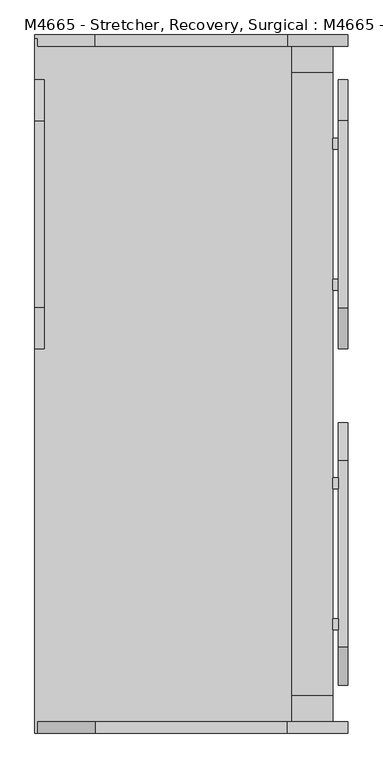
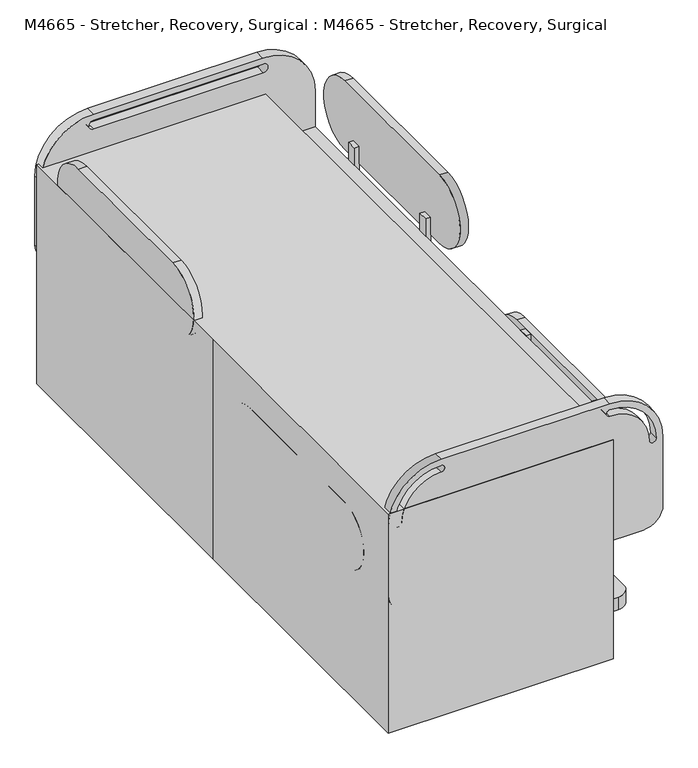
"""IFC4 building model written with IfcOpenShell, lengths in millimetres: proxy geometry, M4665 - Stretcher, Recovery, Surgical : M4665 - Stretcher, Recovery, Surgical."""

from ifc_helpers import new_model, si_unit, point, frame, frame_2d, origin, place, context, project, spatial, polyline, circle_curve, trimmed, segment, composite_curve, outline, extrude, faceted_brep, source, transform, mapped, element, save
from ifc_brep_helpers import plane_surface, cylinder_surface, revolved_surface, advanced_brep


def m4665_stretcher_recovery_surgical_m4665_stretcher_recovery_9e5d2991(model_context):
    return source(origin(), model_context, "Body", "SolidModel", [
        extrude(outline(composite_curve([segment(trimmed(circle_curve(frame_2d((977.7599321, 51.5042315)), 51.5042315), [point((926.2557006, 51.5042315))], [point((1029.2641636, 51.5042315))], False, "CARTESIAN"), True, "CONTINUOUS"), segment(trimmed(circle_curve(frame_2d((977.7599321, 51.5042315)), 51.5042315), [point((1029.2641636, 51.5042315))], [point((926.2557006, 51.5042315))], False, "CARTESIAN"), True, "CONTINUOUS")], self_intersect=False)), frame((-292.1, 0.0, 0.0), z_axis=(1.0, 0.0, 0.0), x_axis=(0.0, 1.0, 0.0)), (0.0, 0.0, 1.0), 25.4),
        extrude(outline(composite_curve([segment(trimmed(circle_curve(frame_2d((977.7599321, 51.5042315)), 51.5042315), [point((926.2557006, 51.5042315))], [point((1029.2641636, 51.5042315))], False, "CARTESIAN"), True, "CONTINUOUS"), segment(trimmed(circle_curve(frame_2d((977.7599321, 51.5042315)), 51.5042315), [point((1029.2641636, 51.5042315))], [point((926.2557006, 51.5042315))], False, "CARTESIAN"), True, "CONTINUOUS")], self_intersect=False)), frame((457.2, 0.0, 0.0), z_axis=(1.0, 0.0, 0.0), x_axis=(0.0, 1.0, 0.0)), (0.0, 0.0, 1.0), 25.4),
        extrude(outline(composite_curve([segment(trimmed(circle_curve(frame_2d((-965.0599321, 51.5042315)), 51.5042315), [point((-913.5557006, 51.5042315))], [point((-1016.5641636, 51.5042315))], False, "CARTESIAN"), True, "CONTINUOUS"), segment(trimmed(circle_curve(frame_2d((-965.0599321, 51.5042315)), 51.5042315), [point((-1016.5641636, 51.5042315))], [point((-913.5557006, 51.5042315))], False, "CARTESIAN"), True, "CONTINUOUS")], self_intersect=False)), frame((457.2, 0.0, 0.0), z_axis=(1.0, 0.0, 0.0), x_axis=(0.0, 1.0, 0.0)), (0.0, 0.0, 1.0), 25.4),
        advanced_brep(
        [(450.85, 990.3863453, 60.4258647), (450.85, 985.39125, 48.3666377), (450.85, 966.5580857, 50.8460708), (450.85, 966.5580857, 108.9715457), (450.85, 976.2356274, 130.175), (450.85, 1006.5868486, 130.175), (450.85, 1014.4209258, 118.4504749), (488.95, 990.3863453, 60.4258647), (488.95, 1014.4209258, 118.4504749), (488.95, 1006.5868486, 130.175), (488.95, 976.2356274, 130.175), (488.95, 966.5580857, 108.9715457), (488.95, 966.5580857, 50.8460708), (488.95, 985.39125, 48.3666377), (457.0636195, 1014.4209258, 118.4504749), (457.0636195, 990.3863453, 60.4258647), (482.4636195, 990.3863453, 60.4258647), (482.4636195, 1014.4209258, 118.4504749), (482.4636195, 1014.7946321, 123.825), (457.0636195, 1014.7946321, 123.825), (457.0636195, 966.5580857, 108.9715457), (457.0636195, 973.337402, 123.825), (482.4636195, 973.337402, 123.825), (482.4636195, 966.5580857, 108.9715457), (457.0636195, 966.5580857, 50.8460708), (482.4636195, 966.5580857, 50.8460708), (457.0636195, 985.39125, 48.3666377), (482.4636195, 985.39125, 48.3666377)],
        [
            (0, 1),
            (1, 2, circle_curve(frame((450.85, 976.1378796, 50.8460708), z_axis=(-1.0, 0.0, 0.0), x_axis=(0.0, -1.0, 0.0)), 9.5797939)),
            (2, 3),
            (3, 4),
            (4, 5),
            (5, 6, circle_curve(frame((450.85, 1006.5868486, 121.6954559), z_axis=(-1.0, 0.0, 0.0), x_axis=(0.0, -1.0, 0.0)), 8.4795441)),
            (6, 0),
            (7, 8),
            (8, 9, circle_curve(frame((488.95, 1006.5868486, 121.6954559), z_axis=(1.0, 0.0, 0.0), x_axis=(0.0, -1.0, 0.0)), 8.4795441)),
            (9, 10),
            (10, 11),
            (11, 12),
            (12, 13, circle_curve(frame((488.95, 976.1378796, 50.8460708), z_axis=(1.0, 0.0, 0.0), x_axis=(0.0, -1.0, 0.0)), 9.5797939)),
            (13, 7),
            (6, 14),
            (14, 15),
            (15, 0),
            (7, 16),
            (16, 17),
            (17, 8),
            (5, 9),
            (17, 18, circle_curve(frame((482.4636195, 1006.5868486, 121.6954559), z_axis=(1.0, 0.0, 0.0), x_axis=(0.0, -1.0, 0.0)), 8.4795441)),
            (18, 19),
            (19, 14, circle_curve(frame((457.0636195, 1006.5868486, 121.6954559), z_axis=(-1.0, 0.0, 0.0), x_axis=(0.0, -1.0, 0.0)), 8.4795441)),
            (4, 10),
            (3, 20),
            (20, 21),
            (21, 22),
            (22, 23),
            (23, 11),
            (2, 24),
            (24, 20),
            (23, 25),
            (25, 12),
            (1, 26),
            (26, 24, circle_curve(frame((457.0636195, 976.1378796, 50.8460708), z_axis=(-1.0, 0.0, 0.0), x_axis=(0.0, -1.0, 0.0)), 9.5797939)),
            (25, 27, circle_curve(frame((482.4636195, 976.1378796, 50.8460708), z_axis=(1.0, 0.0, 0.0), x_axis=(0.0, -1.0, 0.0)), 9.5797939)),
            (27, 13),
            (15, 26),
            (27, 16),
            (18, 22),
            (21, 19),
        ],
        [
            plane_surface(frame((450.85, 990.3863453, 60.4258647), z_axis=(-1.0, 0.0, 0.0), x_axis=(0.0, -0.3826834323651177, -0.9238795325112752))),
            plane_surface(frame((488.95, 990.3863453, 60.4258647), z_axis=(1.0, 0.0, 0.0), x_axis=(0.0, 0.3826834323651177, 0.9238795325112752))),
            plane_surface(frame((450.85, 1014.4209258, 118.4504749), z_axis=(0.0, 0.9238795325112839, -0.38268343236509705), x_axis=(1.0, 0.0, 0.0))),
            cylinder_surface(frame((488.95, 1006.5868486, 121.6954559), z_axis=(-1.0, 0.0, 0.0), x_axis=(0.0, -1.0, 0.0)), 8.4795441),
            plane_surface(frame((450.85, 976.2356274, 130.175), z_axis=(0.0, 0.0, 1.0), x_axis=(1.0, 0.0, 0.0))),
            plane_surface(frame((450.85, 966.5580857, 108.9715457), z_axis=(0.0, -0.9097252183510659, 0.4152108224698697), x_axis=(1.0, 0.0, 0.0))),
            plane_surface(frame((450.85, 966.5580857, 50.8460708), z_axis=(0.0, -1.0, 0.0), x_axis=(1.0, 0.0, 0.0))),
            cylinder_surface(frame((488.95, 976.1378796, 50.8460708), z_axis=(-1.0, 0.0, 0.0), x_axis=(0.0, -1.0, 0.0)), 9.5797939),
            plane_surface(frame((450.85, 990.3863453, 60.4258647), z_axis=(0.0, 0.9238795325112752, -0.3826834323651177), x_axis=(1.0, 0.0, 0.0))),
            plane_surface(frame((482.4636195, 889.3256309, 123.825), z_axis=(0.0, 0.0, -1.0), x_axis=(0.0, 1.0, 0.0))),
            plane_surface(frame((482.4636195, 889.3256309, 0.0), z_axis=(-1.0, 0.0, 0.0), x_axis=(0.0, 1.0, 0.0))),
            plane_surface(frame((457.0636195, 889.3256309, 123.825), z_axis=(1.0, 0.0, 0.0), x_axis=(0.0, 1.0, 0.0))),
        ],
        [
            (0, [[1, 2, 3, 4, 5, 6, 7]]),
            (1, [[8, 9, 10, 11, 12, 13, 14]]),
            (2, [[-7, 15, 16, 17]]),
            (2, [[-8, 18, 19, 20]]),
            (3, [[-6, 21, -9, -20, 22, 23, 24, -15]]),
            (4, [[-5, 25, -10, -21]]),
            (5, [[-4, 26, 27, 28, 29, 30, -11, -25]]),
            (6, [[-3, 31, 32, -26]]),
            (6, [[-12, -30, 33, 34]]),
            (7, [[-2, 35, 36, -31]]),
            (7, [[-13, -34, 37, 38]]),
            (8, [[-1, -17, 39, -35]]),
            (8, [[-14, -38, 40, -18]]),
            (9, [[41, -28, 42, -23]]),
            (10, [[-41, -22, -19, -40, -37, -33, -29]]),
            (11, [[-42, -27, -32, -36, -39, -16, -24]]),
        ],
    ),
        advanced_brep(
        [(-266.5636195, 973.337402, 123.825), (-266.5636195, 1014.7946321, 123.825), (-266.5636195, 1014.4209258, 118.4504749), (-266.5636195, 990.3863453, 60.4258647), (-266.5636195, 985.39125, 48.3666377), (-266.5636195, 966.5580857, 50.8460708), (-266.5636195, 966.5580857, 108.9715457), (-291.9636195, 1014.7946321, 123.825), (-291.9636195, 973.337402, 123.825), (-291.9636195, 966.5580857, 108.9715457), (-291.9636195, 966.5580857, 50.8460708), (-291.9636195, 985.39125, 48.3666377), (-291.9636195, 990.3863453, 60.4258647), (-291.9636195, 1014.4209258, 118.4504749), (-260.35, 990.3863453, 60.4258647), (-260.35, 1014.4209258, 118.4504749), (-260.35, 1006.5868486, 130.175), (-260.35, 976.2356274, 130.175), (-260.35, 966.5580857, 108.9715457), (-260.35, 966.5580857, 50.8460708), (-260.35, 985.39125, 48.3666377), (-298.45, 990.3863453, 60.4258647), (-298.45, 985.39125, 48.3666377), (-298.45, 966.5580857, 50.8460708), (-298.45, 966.5580857, 108.9715457), (-298.45, 976.2356274, 130.175), (-298.45, 1006.5868486, 130.175), (-298.45, 1014.4209258, 118.4504749)],
        [
            (0, 1),
            (1, 2, circle_curve(frame((-266.5636195, 1006.5868486, 121.6954559), z_axis=(-1.0, 0.0, 0.0), x_axis=(0.0, -1.0, 0.0)), 8.4795441)),
            (2, 3),
            (3, 4),
            (4, 5, circle_curve(frame((-266.5636195, 976.1378796, 50.8460708), z_axis=(-1.0, 0.0, 0.0), x_axis=(0.0, -1.0, 0.0)), 9.5797939)),
            (5, 6),
            (6, 0),
            (7, 8),
            (8, 9),
            (9, 10),
            (10, 11, circle_curve(frame((-291.9636195, 976.1378796, 50.8460708), z_axis=(1.0, 0.0, 0.0), x_axis=(0.0, -1.0, 0.0)), 9.5797939)),
            (11, 12),
            (12, 13),
            (13, 7, circle_curve(frame((-291.9636195, 1006.5868486, 121.6954559), z_axis=(1.0, 0.0, 0.0), x_axis=(0.0, -1.0, 0.0)), 8.4795441)),
            (7, 1),
            (0, 8),
            (14, 15),
            (15, 16, circle_curve(frame((-260.35, 1006.5868486, 121.6954559), z_axis=(1.0, 0.0, 0.0), x_axis=(0.0, -1.0, 0.0)), 8.4795441)),
            (16, 17),
            (17, 18),
            (18, 19),
            (19, 20, circle_curve(frame((-260.35, 976.1378796, 50.8460708), z_axis=(1.0, 0.0, 0.0), x_axis=(0.0, -1.0, 0.0)), 9.5797939)),
            (20, 14),
            (21, 22),
            (22, 23, circle_curve(frame((-298.45, 976.1378796, 50.8460708), z_axis=(-1.0, 0.0, 0.0), x_axis=(0.0, -1.0, 0.0)), 9.5797939)),
            (23, 24),
            (24, 25),
            (25, 26),
            (26, 27, circle_curve(frame((-298.45, 1006.5868486, 121.6954559), z_axis=(-1.0, 0.0, 0.0), x_axis=(0.0, -1.0, 0.0)), 8.4795441)),
            (27, 21),
            (20, 4),
            (3, 14),
            (21, 12),
            (11, 22),
            (19, 5),
            (10, 23),
            (18, 6),
            (9, 24),
            (17, 25),
            (16, 26),
            (15, 2),
            (13, 27),
        ],
        [
            plane_surface(frame((-266.5636195, 889.3256309, 0.0), z_axis=(-1.0, 0.0, 0.0), x_axis=(0.0, 1.0, 0.0))),
            plane_surface(frame((-291.9636195, 889.3256309, 123.825), z_axis=(1.0, 0.0, 0.0), x_axis=(0.0, 1.0, 0.0))),
            plane_surface(frame((-266.5636195, 889.3256309, 123.825), z_axis=(0.0, 0.0, -1.0), x_axis=(0.0, 1.0, 0.0))),
            plane_surface(frame((-260.35, 1010.4946248, 108.9715457), z_axis=(1.0000000000000002, 0.0, 0.0), x_axis=(0.0, 0.38268343236509705, 0.9238795325112839))),
            plane_surface(frame((-298.45, 1010.4946248, 108.9715457), z_axis=(-1.0000000000000002, 0.0, 0.0), x_axis=(0.0, -0.38268343236509705, -0.9238795325112839))),
            plane_surface(frame((-260.35, 985.39125, 48.3666377), z_axis=(0.0, 0.9238795325112752, -0.3826834323651177), x_axis=(-1.0, 0.0, 0.0))),
            cylinder_surface(frame((-298.45, 976.1378796, 50.8460708), z_axis=(1.0, 0.0, 0.0), x_axis=(0.0, -1.0, 0.0)), 9.5797939),
            plane_surface(frame((-260.35, 966.5580857, 108.9715457), z_axis=(0.0, -1.0, 0.0), x_axis=(-1.0, 0.0, 0.0))),
            plane_surface(frame((-260.35, 976.2356274, 130.175), z_axis=(0.0, -0.9097252183510659, 0.4152108224698697), x_axis=(-1.0, 0.0, 0.0))),
            plane_surface(frame((-260.35, 1006.5868486, 130.175), z_axis=(0.0, 0.0, 1.0), x_axis=(-1.0, 0.0, 0.0))),
            cylinder_surface(frame((-298.45, 1006.5868486, 121.6954559), z_axis=(1.0, 0.0, 0.0), x_axis=(0.0, -1.0, 0.0)), 8.4795441),
            plane_surface(frame((-260.35, 990.3863453, 60.4258647), z_axis=(0.0, 0.9238795325112839, -0.38268343236509705), x_axis=(-1.0, 0.0, 0.0))),
        ],
        [
            (0, [[1, 2, 3, 4, 5, 6, 7]]),
            (1, [[8, 9, 10, 11, 12, 13, 14]]),
            (2, [[-8, 15, -1, 16]]),
            (3, [[17, 18, 19, 20, 21, 22, 23]]),
            (4, [[24, 25, 26, 27, 28, 29, 30]]),
            (5, [[-23, 31, -4, 32]]),
            (5, [[-24, 33, -12, 34]]),
            (6, [[-22, 35, -5, -31]]),
            (6, [[-25, -34, -11, 36]]),
            (7, [[-21, 37, -6, -35]]),
            (7, [[-26, -36, -10, 38]]),
            (8, [[-20, 39, -27, -38, -9, -16, -7, -37]]),
            (9, [[-19, 40, -28, -39]]),
            (10, [[-18, 41, -2, -15, -14, 42, -29, -40]]),
            (11, [[-17, -32, -3, -41]]),
            (11, [[-30, -42, -13, -33]]),
        ],
    ),
        advanced_brep(
        [(450.85, -977.6863453, 60.4258647), (450.85, -1001.7209258, 118.4504749), (450.85, -993.8868486, 130.175), (450.85, -963.5356274, 130.175), (450.85, -953.8580857, 108.9715457), (450.85, -953.8580857, 50.8460708), (450.85, -972.69125, 48.3666377), (488.95, -977.6863453, 60.4258647), (488.95, -972.69125, 48.3666377), (488.95, -953.8580857, 50.8460708), (488.95, -953.8580857, 108.9715457), (488.95, -963.5356274, 130.175), (488.95, -993.8868486, 130.175), (488.95, -1001.7209258, 118.4504749), (457.0636195, -972.69125, 48.3666377), (457.0636195, -977.6863453, 60.4258647), (482.4636195, -977.6863453, 60.4258647), (482.4636195, -972.69125, 48.3666377), (457.0636195, -953.8580857, 50.8460708), (482.4636195, -953.8580857, 50.8460708), (457.0636195, -953.8580857, 108.9715457), (482.4636195, -953.8580857, 108.9715457), (482.4636195, -960.637402, 123.825), (457.0636195, -960.637402, 123.825), (457.0636195, -1001.7209258, 118.4504749), (457.0636195, -1002.0946321, 123.825), (482.4636195, -1002.0946321, 123.825), (482.4636195, -1001.7209258, 118.4504749)],
        [
            (0, 1),
            (1, 2, circle_curve(frame((450.85, -993.8868486, 121.6954559), z_axis=(-1.0, 0.0, 0.0), x_axis=(0.0, 1.0, 0.0)), 8.4795441)),
            (2, 3),
            (3, 4),
            (4, 5),
            (5, 6, circle_curve(frame((450.85, -963.4378796, 50.8460708), z_axis=(-1.0, 0.0, 0.0), x_axis=(0.0, 1.0, 0.0)), 9.5797939)),
            (6, 0),
            (7, 8),
            (8, 9, circle_curve(frame((488.95, -963.4378796, 50.8460708), z_axis=(1.0, 0.0, 0.0), x_axis=(0.0, 1.0, 0.0)), 9.5797939)),
            (9, 10),
            (10, 11),
            (11, 12),
            (12, 13, circle_curve(frame((488.95, -993.8868486, 121.6954559), z_axis=(1.0, 0.0, 0.0), x_axis=(0.0, 1.0, 0.0)), 8.4795441)),
            (13, 7),
            (6, 14),
            (14, 15),
            (15, 0),
            (7, 16),
            (16, 17),
            (17, 8),
            (5, 18),
            (18, 14, circle_curve(frame((457.0636195, -963.4378796, 50.8460708), z_axis=(-1.0, 0.0, 0.0), x_axis=(0.0, 1.0, 0.0)), 9.5797939)),
            (17, 19, circle_curve(frame((482.4636195, -963.4378796, 50.8460708), z_axis=(1.0, 0.0, 0.0), x_axis=(0.0, 1.0, 0.0)), 9.5797939)),
            (19, 9),
            (4, 20),
            (20, 18),
            (19, 21),
            (21, 10),
            (3, 11),
            (21, 22),
            (22, 23),
            (23, 20),
            (2, 12),
            (1, 24),
            (24, 25, circle_curve(frame((457.0636195, -993.8868486, 121.6954559), z_axis=(-1.0, 0.0, 0.0), x_axis=(0.0, 1.0, 0.0)), 8.4795441)),
            (25, 26),
            (26, 27, circle_curve(frame((482.4636195, -993.8868486, 121.6954559), z_axis=(1.0, 0.0, 0.0), x_axis=(0.0, 1.0, 0.0)), 8.4795441)),
            (27, 13),
            (15, 24),
            (27, 16),
            (23, 25),
            (26, 22),
        ],
        [
            plane_surface(frame((450.85, -997.7946248, 108.9715457), z_axis=(-1.0000000000000002, 0.0, 0.0), x_axis=(0.0, -0.38268343236509705, 0.9238795325112839))),
            plane_surface(frame((488.95, -997.7946248, 108.9715457), z_axis=(1.0000000000000002, 0.0, 0.0), x_axis=(0.0, 0.38268343236509705, -0.9238795325112839))),
            plane_surface(frame((450.85, -972.69125, 48.3666377), z_axis=(0.0, -0.9238795325112752, -0.3826834323651177), x_axis=(1.0, 0.0, 0.0))),
            cylinder_surface(frame((488.95, -963.4378796, 50.8460708), z_axis=(-1.0, 0.0, 0.0), x_axis=(0.0, 1.0, 0.0)), 9.5797939),
            plane_surface(frame((450.85, -953.8580857, 108.9715457), z_axis=(0.0, 1.0, 0.0), x_axis=(1.0, 0.0, 0.0))),
            plane_surface(frame((450.85, -963.5356274, 130.175), z_axis=(0.0, 0.9097252183510659, 0.4152108224698697), x_axis=(1.0, 0.0, 0.0))),
            plane_surface(frame((450.85, -993.8868486, 130.175), z_axis=(0.0, 0.0, 1.0), x_axis=(1.0, 0.0, 0.0))),
            cylinder_surface(frame((488.95, -993.8868486, 121.6954559), z_axis=(-1.0, 0.0, 0.0), x_axis=(0.0, 1.0, 0.0)), 8.4795441),
            plane_surface(frame((450.85, -977.6863453, 60.4258647), z_axis=(0.0, -0.9238795325112839, -0.38268343236509705), x_axis=(1.0, 0.0, 0.0))),
            plane_surface(frame((457.0636195, -876.6256309, 0.0), z_axis=(1.0, 0.0, 0.0), x_axis=(0.0, -1.0, 0.0))),
            plane_surface(frame((482.4636195, -876.6256309, 123.825), z_axis=(-1.0, 0.0, 0.0), x_axis=(0.0, -1.0, 0.0))),
            plane_surface(frame((457.0636195, -876.6256309, 123.825), z_axis=(0.0, 0.0, -1.0), x_axis=(0.0, -1.0, 0.0))),
        ],
        [
            (0, [[1, 2, 3, 4, 5, 6, 7]]),
            (1, [[8, 9, 10, 11, 12, 13, 14]]),
            (2, [[-7, 15, 16, 17]]),
            (2, [[-8, 18, 19, 20]]),
            (3, [[-6, 21, 22, -15]]),
            (3, [[-9, -20, 23, 24]]),
            (4, [[-5, 25, 26, -21]]),
            (4, [[-10, -24, 27, 28]]),
            (5, [[-4, 29, -11, -28, 30, 31, 32, -25]]),
            (6, [[-3, 33, -12, -29]]),
            (7, [[-2, 34, 35, 36, 37, 38, -13, -33]]),
            (8, [[-1, -17, 39, -34]]),
            (8, [[-14, -38, 40, -18]]),
            (9, [[41, -35, -39, -16, -22, -26, -32]]),
            (10, [[42, -30, -27, -23, -19, -40, -37]]),
            (11, [[-42, -36, -41, -31]]),
        ],
    ),
        extrude(outline(composite_curve([segment(trimmed(circle_curve(frame_2d((-965.0599321, 51.5042315)), 51.5042315), [point((-913.5557006, 51.5042315))], [point((-1016.5641636, 51.5042315))], False, "CARTESIAN"), True, "CONTINUOUS"), segment(trimmed(circle_curve(frame_2d((-965.0599321, 51.5042315)), 51.5042315), [point((-1016.5641636, 51.5042315))], [point((-913.5557006, 51.5042315))], False, "CARTESIAN"), True, "CONTINUOUS")], self_intersect=False)), frame((-292.1, 0.0, 0.0), z_axis=(1.0, 0.0, 0.0), x_axis=(0.0, 1.0, 0.0)), (0.0, 0.0, 1.0), 25.4),
        faceted_brep([(-431.8, 1168.4, 889.0), (-431.8, 0.0, 889.0), (-431.8, -1168.4, 889.0), (431.8, -1168.4, 889.0), (431.8, 1168.4, 889.0), (-431.8, 1168.4, 0.0), (431.8, 1168.4, 0.0), (431.8, -1168.4, 0.0), (-431.8, -1168.4, 0.0), (-431.8, 0.0, 0.0), (-291.9636195, 889.3256309, 0.0), (-266.5636195, 889.3256309, 0.0), (-266.5636195, 1064.8184213, 0.0), (-291.9636195, 1064.8184213, 0.0), (-266.5636195, 889.3256309, 123.825), (-291.9636195, 889.3256309, 123.825), (-266.5636195, 1064.8184213, 123.825), (-291.9636195, 1064.8184213, 123.825)], [[[0, 1, 2, 3, 4]], [[5, 6, 7, 8, 9], [10, 11, 12, 13]], [[1, 0, 5, 9]], [[2, 1, 9, 8]], [[3, 2, 8, 7]], [[4, 3, 7, 6]], [[0, 4, 6, 5]], [[14, 11, 10, 15]], [[16, 17, 13, 12]], [[11, 14, 16, 12]], [[15, 10, 13, 17]], [[14, 15, 17, 16]]]),
        advanced_brep(
        [(-260.35, -977.6863453, 60.4258647), (-260.35, -972.69125, 48.3666377), (-260.35, -953.8580857, 50.8460708), (-260.35, -953.8580857, 108.9715457), (-260.35, -963.5356274, 130.175), (-260.35, -993.8868486, 130.175), (-260.35, -1001.7209258, 118.4504749), (-298.45, -977.6863453, 60.4258647), (-298.45, -1001.7209258, 118.4504749), (-298.45, -993.8868486, 130.175), (-298.45, -963.5356274, 130.175), (-298.45, -953.8580857, 108.9715457), (-298.45, -953.8580857, 50.8460708), (-298.45, -972.69125, 48.3666377), (-266.5636195, -977.6863453, 60.4258647), (-266.5636195, -972.69125, 48.3666377), (-291.9636195, -972.69125, 48.3666377), (-291.9636195, -977.6863453, 60.4258647), (-266.5636195, -953.8580857, 50.8460708), (-291.9636195, -953.8580857, 50.8460708), (-266.5636195, -953.8580857, 108.9715457), (-291.9636195, -953.8580857, 108.9715457), (-266.5636195, -960.637402, 123.825), (-291.9636195, -960.637402, 123.825), (-291.9636195, -1001.7209258, 118.4504749), (-291.9636195, -1002.0946321, 123.825), (-266.5636195, -1002.0946321, 123.825), (-266.5636195, -1001.7209258, 118.4504749)],
        [
            (0, 1),
            (1, 2, circle_curve(frame((-260.35, -963.4378796, 50.8460708), z_axis=(1.0, 0.0, 0.0), x_axis=(0.0, 1.0, 0.0)), 9.5797939)),
            (2, 3),
            (3, 4),
            (4, 5),
            (5, 6, circle_curve(frame((-260.35, -993.8868486, 121.6954559), z_axis=(1.0, 0.0, 0.0), x_axis=(0.0, 1.0, 0.0)), 8.4795441)),
            (6, 0),
            (7, 8),
            (8, 9, circle_curve(frame((-298.45, -993.8868486, 121.6954559), z_axis=(-1.0, 0.0, 0.0), x_axis=(0.0, 1.0, 0.0)), 8.4795441)),
            (9, 10),
            (10, 11),
            (11, 12),
            (12, 13, circle_curve(frame((-298.45, -963.4378796, 50.8460708), z_axis=(-1.0, 0.0, 0.0), x_axis=(0.0, 1.0, 0.0)), 9.5797939)),
            (13, 7),
            (0, 14),
            (14, 15),
            (15, 1),
            (13, 16),
            (16, 17),
            (17, 7),
            (15, 18, circle_curve(frame((-266.5636195, -963.4378796, 50.8460708), z_axis=(1.0, 0.0, 0.0), x_axis=(0.0, 1.0, 0.0)), 9.5797939)),
            (18, 2),
            (12, 19),
            (19, 16, circle_curve(frame((-291.9636195, -963.4378796, 50.8460708), z_axis=(-1.0, 0.0, 0.0), x_axis=(0.0, 1.0, 0.0)), 9.5797939)),
            (18, 20),
            (20, 3),
            (11, 21),
            (21, 19),
            (20, 22),
            (22, 23),
            (23, 21),
            (10, 4),
            (9, 5),
            (8, 24),
            (24, 25, circle_curve(frame((-291.9636195, -993.8868486, 121.6954559), z_axis=(-1.0, 0.0, 0.0), x_axis=(0.0, 1.0, 0.0)), 8.4795441)),
            (25, 26),
            (26, 27, circle_curve(frame((-266.5636195, -993.8868486, 121.6954559), z_axis=(1.0, 0.0, 0.0), x_axis=(0.0, 1.0, 0.0)), 8.4795441)),
            (27, 6),
            (27, 14),
            (17, 24),
            (26, 22),
            (23, 25),
        ],
        [
            plane_surface(frame((-260.35, -977.6863453, 60.4258647), z_axis=(1.0, 0.0, 0.0), x_axis=(0.0, 0.3826834323651177, -0.9238795325112752))),
            plane_surface(frame((-298.45, -977.6863453, 60.4258647), z_axis=(-1.0, 0.0, 0.0), x_axis=(0.0, -0.3826834323651177, 0.9238795325112752))),
            plane_surface(frame((-260.35, -977.6863453, 60.4258647), z_axis=(0.0, -0.9238795325112752, -0.3826834323651177), x_axis=(-1.0, 0.0, 0.0))),
            cylinder_surface(frame((-298.45, -963.4378796, 50.8460708), z_axis=(1.0, 0.0, 0.0), x_axis=(0.0, 1.0, 0.0)), 9.5797939),
            plane_surface(frame((-260.35, -953.8580857, 50.8460708), z_axis=(0.0, 1.0, 0.0), x_axis=(-1.0, 0.0, 0.0))),
            plane_surface(frame((-260.35, -953.8580857, 108.9715457), z_axis=(0.0, 0.9097252183510659, 0.4152108224698697), x_axis=(-1.0, 0.0, 0.0))),
            plane_surface(frame((-260.35, -963.5356274, 130.175), z_axis=(0.0, 0.0, 1.0), x_axis=(-1.0, 0.0, 0.0))),
            cylinder_surface(frame((-298.45, -993.8868486, 121.6954559), z_axis=(1.0, 0.0, 0.0), x_axis=(0.0, 1.0, 0.0)), 8.4795441),
            plane_surface(frame((-260.35, -1001.7209258, 118.4504749), z_axis=(0.0, -0.9238795325112839, -0.38268343236509705), x_axis=(-1.0, 0.0, 0.0))),
            plane_surface(frame((-266.5636195, -876.6256309, 123.825), z_axis=(-1.0, 0.0, 0.0), x_axis=(0.0, -1.0, 0.0))),
            plane_surface(frame((-291.9636195, -876.6256309, 0.0), z_axis=(1.0, 0.0, 0.0), x_axis=(0.0, -1.0, 0.0))),
            plane_surface(frame((-291.9636195, -876.6256309, 123.825), z_axis=(0.0, 0.0, -1.0), x_axis=(0.0, -1.0, 0.0))),
        ],
        [
            (0, [[1, 2, 3, 4, 5, 6, 7]]),
            (1, [[8, 9, 10, 11, 12, 13, 14]]),
            (2, [[-1, 15, 16, 17]]),
            (2, [[-14, 18, 19, 20]]),
            (3, [[-2, -17, 21, 22]]),
            (3, [[-13, 23, 24, -18]]),
            (4, [[-3, -22, 25, 26]]),
            (4, [[-12, 27, 28, -23]]),
            (5, [[-4, -26, 29, 30, 31, -27, -11, 32]]),
            (6, [[-5, -32, -10, 33]]),
            (7, [[-6, -33, -9, 34, 35, 36, 37, 38]]),
            (8, [[-7, -38, 39, -15]]),
            (8, [[-8, -20, 40, -34]]),
            (9, [[41, -29, -25, -21, -16, -39, -37]]),
            (10, [[42, -35, -40, -19, -24, -28, -31]]),
            (11, [[-41, -36, -42, -30]]),
        ],
    ),
        extrude(outline(polyline([(260.35, 850.9), (-69.85, 850.9), (-69.85, 1054.1), (260.35, 1054.1), (260.35, 850.9)])), frame((0.0, 0.0, 180.975), z_axis=(0.0, 0.0, 1.0), x_axis=(1.0, 0.0, 0.0)), (0.0, 0.0, 1.0), 325.7374197),
        extrude(outline(polyline([(260.35, -1041.4), (-69.85, -1041.4), (-69.85, -838.2), (260.35, -838.2), (260.35, -1041.4)])), frame((0.0, 0.0, 180.975), z_axis=(0.0, 0.0, 1.0), x_axis=(1.0, 0.0, 0.0)), (0.0, 0.0, 1.0), 325.7374197),
        advanced_brep(
        [(419.1, 1143.0, 1039.6271945), (-228.6, 1143.0, 1039.6271945), (-431.8, 1143.0, 836.4271945), (-431.8, 1143.0, 557.5709378), (-355.6, 1143.0, 481.3709378), (546.1, 1143.0, 481.3709378), (622.3, 1143.0, 557.5709378), (622.3, 1143.0, 836.4271945), (422.9792937, 1143.0, 1014.18421), (423.0083062, 1143.0, 979.3021945), (-228.6, 1143.0, 979.3021945), (-228.6, 1143.0, 1014.2271945), (419.1, 1181.1, 1039.6271945), (622.3, 1181.1, 836.4271945), (622.3, 1181.1, 557.5709378), (546.1, 1181.1, 481.3709378), (-355.6, 1181.1, 481.3709378), (-431.8, 1181.1, 557.5709378), (-431.8, 1181.1, 836.4271945), (-228.6, 1181.1, 1039.6271945), (423.0083062, 1181.1, 979.3021945), (422.9792937, 1181.1, 1014.18421), (-228.6, 1181.1, 1014.2271945), (-228.6, 1181.1, 979.3021945)],
        [
            (0, 1),
            (1, 2, circle_curve(frame((-228.6, 1143.0, 836.4271945), z_axis=(0.0, -1.0, 0.0), x_axis=(-1.0, 0.0, 0.0)), 203.2)),
            (2, 3),
            (3, 4, circle_curve(frame((-355.6, 1143.0, 557.5709378), z_axis=(0.0, -1.0, 0.0), x_axis=(-1.0, 0.0, 0.0)), 76.2)),
            (4, 5),
            (5, 6, circle_curve(frame((546.1, 1143.0, 557.5709378), z_axis=(0.0, -1.0, 0.0), x_axis=(-1.0, 0.0, 0.0)), 76.2)),
            (6, 7),
            (7, 0, circle_curve(frame((419.1, 1143.0, 836.4271945), z_axis=(0.0, -1.0, 0.0), x_axis=(-1.0, 0.0, 0.0)), 203.2)),
            (8, 9, circle_curve(frame((423.0083062, 1143.0, 996.7432143), z_axis=(0.0, 1.0, 0.0), x_axis=(-1.0, 0.0, 0.0)), 17.4410198)),
            (9, 10),
            (10, 11, circle_curve(frame((-228.6, 1143.0, 996.7646945), z_axis=(0.0, 1.0, 0.0), x_axis=(-1.0, 0.0, 0.0)), 17.4625)),
            (11, 8),
            (12, 13, circle_curve(frame((419.1, 1181.1, 836.4271945), z_axis=(0.0, 1.0, 0.0), x_axis=(-1.0, 0.0, 0.0)), 203.2)),
            (13, 14),
            (14, 15, circle_curve(frame((546.1, 1181.1, 557.5709378), z_axis=(0.0, 1.0, 0.0), x_axis=(-1.0, 0.0, 0.0)), 76.2)),
            (15, 16),
            (16, 17, circle_curve(frame((-355.6, 1181.1, 557.5709378), z_axis=(0.0, 1.0, 0.0), x_axis=(-1.0, 0.0, 0.0)), 76.2)),
            (17, 18),
            (18, 19, circle_curve(frame((-228.6, 1181.1, 836.4271945), z_axis=(0.0, 1.0, 0.0), x_axis=(-1.0, 0.0, 0.0)), 203.2)),
            (19, 12),
            (20, 21, circle_curve(frame((423.0083062, 1181.1, 996.7432143), z_axis=(0.0, -1.0, 0.0), x_axis=(-1.0, 0.0, 0.0)), 17.4410198)),
            (21, 22),
            (22, 23, circle_curve(frame((-228.6, 1181.1, 996.7646945), z_axis=(0.0, -1.0, 0.0), x_axis=(-1.0, 0.0, 0.0)), 17.4625)),
            (23, 20),
            (0, 12),
            (19, 1),
            (18, 2),
            (17, 3),
            (16, 4),
            (15, 5),
            (14, 6),
            (13, 7),
            (20, 9),
            (8, 21),
            (23, 10),
            (22, 11),
        ],
        [
            plane_surface(frame((-228.6, 1143.0, 1039.6271945), z_axis=(0.0, -1.0, 0.0), x_axis=(-1.0, 0.0, 0.0))),
            plane_surface(frame((-228.6, 1181.1, 1039.6271945), z_axis=(0.0, 1.0, 0.0), x_axis=(1.0, 0.0, 0.0))),
            plane_surface(frame((419.1, 1143.0, 1039.6271945), z_axis=(0.0, 0.0, 1.0), x_axis=(0.0, 1.0, 0.0))),
            cylinder_surface(frame((-228.6, 1181.1, 836.4271945), z_axis=(0.0, -1.0, 0.0), x_axis=(-1.0, 0.0, 0.0)), 203.2),
            plane_surface(frame((-431.8, 1143.0, 836.4271945), z_axis=(-1.0, 0.0, 0.0), x_axis=(0.0, 1.0, 0.0))),
            cylinder_surface(frame((-355.6, 1181.1, 557.5709378), z_axis=(0.0, -1.0, 0.0), x_axis=(-1.0, 0.0, 0.0)), 76.2),
            plane_surface(frame((-355.6, 1143.0, 481.3709378), z_axis=(0.0, 0.0, -1.0), x_axis=(0.0, 1.0, 0.0))),
            cylinder_surface(frame((546.1, 1181.1, 557.5709378), z_axis=(0.0, -1.0, 0.0), x_axis=(-1.0, 0.0, 0.0)), 76.2),
            plane_surface(frame((622.3, 1143.0, 557.5709378), z_axis=(1.0, 0.0, 0.0), x_axis=(0.0, 1.0, 0.0))),
            cylinder_surface(frame((419.1, 1181.1, 836.4271945), z_axis=(0.0, -1.0, 0.0), x_axis=(-1.0, 0.0, 0.0)), 203.2),
            revolved_surface(polyline([(405.5672864, 1181.1, 996.7432143), (405.5672864, 1143.0, 996.7432143)]), (423.0083062, 1143.0, 996.7432143), (0.0, 1.0, 0.0)),
            plane_surface(frame((423.0083062, 1181.1, 979.3021945), z_axis=(0.0, 0.0, 1.0), x_axis=(0.0, -1.0, 0.0))),
            revolved_surface(polyline([(-246.0625, 1181.1, 996.7646945), (-246.0625, 1143.0, 996.7646945)]), (-228.6, 1143.0, 996.7646945), (0.0, 1.0, 0.0)),
            plane_surface(frame((-228.6, 1181.1, 1014.2271945), z_axis=(0.0, 0.0, -1.0), x_axis=(0.0, -1.0, 0.0))),
        ],
        [
            (0, [[1, 2, 3, 4, 5, 6, 7, 8], [9, 10, 11, 12]]),
            (1, [[13, 14, 15, 16, 17, 18, 19, 20], [21, 22, 23, 24]]),
            (2, [[-1, 25, -20, 26]]),
            (3, [[-2, -26, -19, 27]]),
            (4, [[-3, -27, -18, 28]]),
            (5, [[-4, -28, -17, 29]]),
            (6, [[-5, -29, -16, 30]]),
            (7, [[-6, -30, -15, 31]]),
            (8, [[-7, -31, -14, 32]]),
            (9, [[-8, -32, -13, -25]]),
            (10, [[33, -9, 34, -21]]),
            (11, [[-33, -24, 35, -10]]),
            (12, [[-35, -23, 36, -11]]),
            (13, [[-34, -12, -36, -22]]),
        ],
    ),
        extrude(outline(composite_curve([segment(polyline([(1039.6271945, 419.1), (1039.6271945, -228.6)]), True, "CONTINUOUS"), segment(trimmed(circle_curve(frame_2d((836.4271945, -228.6)), 203.2), [point((1039.6271945, -228.6))], [point((836.4271945, -431.8))], False, "CARTESIAN"), True, "CONTINUOUS"), segment(polyline([(836.4271945, -431.8), (557.5709378, -431.8)]), True, "CONTINUOUS"), segment(trimmed(circle_curve(frame_2d((557.5709378, -355.6)), 76.2), [point((557.5709378, -431.8))], [point((481.3709378, -355.6))], False, "CARTESIAN"), True, "CONTINUOUS"), segment(polyline([(481.3709378, -355.6), (481.3709378, 546.1)]), True, "CONTINUOUS"), segment(trimmed(circle_curve(frame_2d((557.5709378, 546.1)), 76.2), [point((481.3709378, 546.1))], [point((557.5709378, 622.3))], False, "CARTESIAN"), True, "CONTINUOUS"), segment(polyline([(557.5709378, 622.3), (836.4271945, 622.3)]), True, "CONTINUOUS"), segment(trimmed(circle_curve(frame_2d((836.4271945, 419.1)), 203.2), [point((836.4271945, 622.3))], [point((1039.6271945, 419.1))], False, "CARTESIAN"), True, "CONTINUOUS")], self_intersect=False), holes=[composite_curve([segment(trimmed(circle_curve(frame_2d((1001.5271945, -228.6)), 12.7), [point((1014.2271945, -228.6))], [point((988.8271945, -228.6))], True, "CARTESIAN"), True, "CONTINUOUS"), segment(trimmed(circle_curve(frame_2d((836.4271945, -228.6)), 152.4), [point((988.8271945, -228.6))], [point((836.4271945, -381.0))], False, "CARTESIAN"), True, "CONTINUOUS"), segment(trimmed(circle_curve(frame_2d((836.4271945, -393.7)), 12.7), [point((836.4271945, -381.0))], [point((836.4271945, -406.4))], True, "CARTESIAN"), True, "CONTINUOUS"), segment(trimmed(circle_curve(frame_2d((836.4271945, -228.6)), 177.8), [point((836.4271945, -406.4))], [point((1014.2271945, -228.6))], True, "CARTESIAN"), True, "CONTINUOUS")], self_intersect=False), composite_curve([segment(trimmed(circle_curve(frame_2d((836.4271945, 584.2)), 12.7), [point((836.4271945, 596.9))], [point((836.4271945, 571.5))], True, "CARTESIAN"), True, "CONTINUOUS"), segment(trimmed(circle_curve(frame_2d((836.4271945, 419.1)), 152.4), [point((836.4271945, 571.5))], [point((988.8271945, 419.1))], False, "CARTESIAN"), True, "CONTINUOUS"), segment(trimmed(circle_curve(frame_2d((1001.5271945, 419.1)), 12.7), [point((988.8271945, 419.1))], [point((1014.2271945, 419.1))], True, "CARTESIAN"), True, "CONTINUOUS"), segment(trimmed(circle_curve(frame_2d((836.4271945, 419.1)), 177.8), [point((1014.2271945, 419.1))], [point((836.4271945, 596.9))], True, "CARTESIAN"), True, "CONTINUOUS")], self_intersect=False)]), frame((0.0, -1168.4, 0.0), z_axis=(0.0, 1.0, 0.0), x_axis=(0.0, 0.0, 1.0)), (0.0, 0.0, 1.0), 38.1),
        extrude(outline(polyline([(571.4543388, -346.6603976), (571.4543388, -308.5603976), (590.3241731, -308.5603976), (590.3241731, -346.6603976), (571.4543388, -346.6603976)])), frame((0.0, 0.0, 506.7124197), z_axis=(0.0, 0.0, 1.0), x_axis=(1.0, 0.0, 0.0)), (0.0, 0.0, 1.0), 255.2875803),
        extrude(outline(polyline([(571.4543388, -821.1211377), (571.4543388, -783.0211377), (590.3241731, -783.0211377), (590.3241731, -821.1211377), (571.4543388, -821.1211377)])), frame((0.0, 0.0, 506.7124197), z_axis=(0.0, 0.0, 1.0), x_axis=(1.0, 0.0, 0.0)), (0.0, 0.0, 1.0), 255.2875803),
        extrude(outline(composite_curve([segment(trimmed(circle_curve(frame_2d((-250.5157677, 634.3562098)), 127.6437902), [point((-250.5157677, 762.0))], [point((-250.5157677, 506.7124197))], False, "CARTESIAN"), True, "CONTINUOUS"), segment(polyline([(-250.5157677, 506.7124197), (-879.1657677, 506.7124197)]), True, "CONTINUOUS"), segment(trimmed(circle_curve(frame_2d((-879.1657677, 634.3562098)), 127.6437902), [point((-879.1657677, 506.7124197))], [point((-879.1657677, 762.0))], False, "CARTESIAN"), True, "CONTINUOUS"), segment(polyline([(-879.1657677, 762.0), (-250.5157677, 762.0)]), True, "CONTINUOUS")], self_intersect=False)), frame((590.3241731, 0.0, 0.0), z_axis=(1.0, 0.0, 0.0), x_axis=(0.0, 1.0, 0.0)), (0.0, 0.0, 1.0), 31.9758269),
        extrude(outline(polyline([(571.4543388, 321.2603976), (571.4543388, 359.3603976), (590.3241731, 359.3603976), (590.3241731, 321.2603976), (571.4543388, 321.2603976)])), frame((0.0, 0.0, 506.7124197), z_axis=(0.0, 0.0, 1.0), x_axis=(1.0, 0.0, 0.0)), (0.0, 0.0, 1.0), 325.1375803),
        extrude(outline(polyline([(571.4543388, 795.7211377), (571.4543388, 833.8211377), (590.3241731, 833.8211377), (590.3241731, 795.7211377), (571.4543388, 795.7211377)])), frame((0.0, 0.0, 506.7124197), z_axis=(0.0, 0.0, 1.0), x_axis=(1.0, 0.0, 0.0)), (0.0, 0.0, 1.0), 325.1375803),
        extrude(outline(composite_curve([segment(polyline([(263.2157677, 1039.6271945), (891.8657677, 1039.6271945)]), True, "CONTINUOUS"), segment(trimmed(circle_curve(frame_2d((891.8657677, 900.8135972)), 138.8135972), [point((891.8657677, 1039.6271945))], [point((891.8657677, 762.0))], False, "CARTESIAN"), True, "CONTINUOUS"), segment(polyline([(891.8657677, 762.0), (263.2157677, 762.0)]), True, "CONTINUOUS"), segment(trimmed(circle_curve(frame_2d((263.2157677, 900.8135972)), 138.8135972), [point((263.2157677, 762.0))], [point((263.2157677, 1039.6271945))], False, "CARTESIAN"), True, "CONTINUOUS")], self_intersect=False)), frame((590.3241731, 0.0, 0.0), z_axis=(1.0, 0.0, 0.0), x_axis=(0.0, 1.0, 0.0)), (0.0, 0.0, 1.0), 31.9758269),
        extrude(outline(polyline([(-381.3704979, -308.5603976), (-381.3704979, -346.6603976), (-399.8241731, -346.6603976), (-399.8241731, -308.5603976), (-381.3704979, -308.5603976)])), frame((0.0, 0.0, 506.7124197), z_axis=(0.0, 0.0, 1.0), x_axis=(1.0, 0.0, 0.0)), (0.0, 0.0, 1.0), 255.2875803),
        extrude(outline(polyline([(-381.3704979, -783.0211377), (-381.3704979, -821.1211377), (-399.8241731, -821.1211377), (-399.8241731, -783.0211377), (-381.3704979, -783.0211377)])), frame((0.0, 0.0, 506.7124197), z_axis=(0.0, 0.0, 1.0), x_axis=(1.0, 0.0, 0.0)), (0.0, 0.0, 1.0), 255.2875803),
        extrude(outline(composite_curve([segment(trimmed(circle_curve(frame_2d((-250.5157677, 634.3562098)), 127.6437902), [point((-250.5157677, 762.0))], [point((-250.5157677, 506.7124197))], False, "CARTESIAN"), True, "CONTINUOUS"), segment(polyline([(-250.5157677, 506.7124197), (-879.1657677, 506.7124197)]), True, "CONTINUOUS"), segment(trimmed(circle_curve(frame_2d((-879.1657677, 634.3562098)), 127.6437902), [point((-879.1657677, 506.7124197))], [point((-879.1657677, 762.0))], False, "CARTESIAN"), True, "CONTINUOUS"), segment(polyline([(-879.1657677, 762.0), (-250.5157677, 762.0)]), True, "CONTINUOUS")], self_intersect=False)), frame((-431.8, 0.0, 0.0), z_axis=(1.0, 0.0, 0.0), x_axis=(0.0, 1.0, 0.0)), (0.0, 0.0, 1.0), 31.9758269),
        extrude(outline(polyline([(-381.3704979, 359.3603976), (-381.3704979, 321.2603976), (-399.8241731, 321.2603976), (-399.8241731, 359.3603976), (-381.3704979, 359.3603976)])), frame((0.0, 0.0, 506.7124197), z_axis=(0.0, 0.0, 1.0), x_axis=(1.0, 0.0, 0.0)), (0.0, 0.0, 1.0), 325.1375803),
        extrude(outline(polyline([(-381.3704979, 833.8211377), (-381.3704979, 795.7211377), (-399.8241731, 795.7211377), (-399.8241731, 833.8211377), (-381.3704979, 833.8211377)])), frame((0.0, 0.0, 506.7124197), z_axis=(0.0, 0.0, 1.0), x_axis=(1.0, 0.0, 0.0)), (0.0, 0.0, 1.0), 325.1375803),
        extrude(outline(composite_curve([segment(polyline([(263.2157677, 1039.6271945), (891.8657677, 1039.6271945)]), True, "CONTINUOUS"), segment(trimmed(circle_curve(frame_2d((891.8657677, 900.8135972)), 138.8135972), [point((891.8657677, 1039.6271945))], [point((891.8657677, 762.0))], False, "CARTESIAN"), True, "CONTINUOUS"), segment(polyline([(891.8657677, 762.0), (263.2157677, 762.0)]), True, "CONTINUOUS"), segment(trimmed(circle_curve(frame_2d((263.2157677, 900.8135972)), 138.8135972), [point((263.2157677, 762.0))], [point((263.2157677, 1039.6271945))], False, "CARTESIAN"), True, "CONTINUOUS")], self_intersect=False)), frame((-431.8, 0.0, 0.0), z_axis=(1.0, 0.0, 0.0), x_axis=(0.0, 1.0, 0.0)), (0.0, 0.0, 1.0), 31.9758269),
        extrude(outline(polyline([(571.4543388, 1054.1), (571.4543388, -1041.4), (-381.3704979, -1041.4), (-381.3704979, 1054.1), (571.4543388, 1054.1)])), frame((0.0, 0.0, 557.6073872), z_axis=(0.0, 0.0, 1.0), x_axis=(1.0, 0.0, 0.0)), (0.0, 0.0, 1.0), 204.3926128),
        extrude(outline(polyline([(571.4543388, 1143.0), (571.4543388, -1130.3), (-381.3704979, -1130.3), (-381.3704979, 1143.0), (571.4543388, 1143.0)])), frame((0.0, 0.0, 506.7124197), z_axis=(0.0, 0.0, 1.0), x_axis=(1.0, 0.0, 0.0)), (0.0, 0.0, 1.0), 50.8949675),
        extrude(outline(composite_curve([segment(trimmed(circle_curve(frame_2d((495.3, 1054.1)), 50.8), [point((495.3, 1104.9))], [point((546.1, 1054.1))], False, "CARTESIAN"), True, "CONTINUOUS"), segment(polyline([(546.1, 1054.1), (546.1, 800.1), (393.7, 800.1), (393.7, -787.4), (546.1, -787.4), (546.1, -1041.4)]), True, "CONTINUOUS"), segment(trimmed(circle_curve(frame_2d((495.3, -1041.4)), 50.8), [point((546.1, -1041.4))], [point((495.3, -1092.2))], False, "CARTESIAN"), True, "CONTINUOUS"), segment(polyline([(495.3, -1092.2), (-304.8, -1092.2)]), True, "CONTINUOUS"), segment(trimmed(circle_curve(frame_2d((-304.8, -1041.4)), 50.8), [point((-304.8, -1092.2))], [point((-355.6, -1041.4))], False, "CARTESIAN"), True, "CONTINUOUS"), segment(polyline([(-355.6, -1041.4), (-355.6, -787.4), (-203.2, -787.4), (-203.2, 800.1), (-355.6, 800.1), (-355.6, 1054.1)]), True, "CONTINUOUS"), segment(trimmed(circle_curve(frame_2d((-304.8, 1054.1)), 50.8), [point((-355.6, 1054.1))], [point((-304.8, 1104.9))], False, "CARTESIAN"), True, "CONTINUOUS"), segment(polyline([(-304.8, 1104.9), (495.3, 1104.9)]), True, "CONTINUOUS")], self_intersect=False)), frame((0.0, 0.0, 130.175), z_axis=(0.0, 0.0, 1.0), x_axis=(1.0, 0.0, 0.0)), (0.0, 0.0, 1.0), 50.8),
    ])


if __name__ == "__main__":
    model = new_model("IFC4")
    model_context = context("Model", 3, world=origin())
    ifc_project = project(units=[si_unit("LENGTHUNIT", "METRE", prefix="MILLI")], contexts=[model_context])
    site = spatial("IfcSite", under=ifc_project)
    building = spatial("IfcBuilding", under=site)
    placement = place(None, origin())
    m4665_stretcher_recovery_surgical_m4665_stretcher_recovery_shape = m4665_stretcher_recovery_surgical_m4665_stretcher_recovery_9e5d2991(model_context)
    element("IfcBuildingElementProxy", 1, Name="M4665 - Stretcher, Recovery, Surgical : M4665 - Stretcher, Recovery, Surgical", ObjectType="M4665 - Stretcher, Recovery, Surgical : M4665 - Stretcher, Recovery, Surgical", at=placement, inside=building, context=model_context, shape_type="MappedRepresentation", body=[
        mapped(m4665_stretcher_recovery_surgical_m4665_stretcher_recovery_shape, transform((0.0, 0.0, 0.0), x_axis=(1.0, 0.0, 0.0), y_axis=(0.0, 1.0, 0.0), z_axis=(0.0, 0.0, 1.0))),
    ])
    save(model, "model.ifc")
